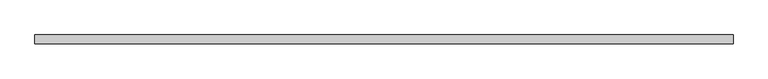
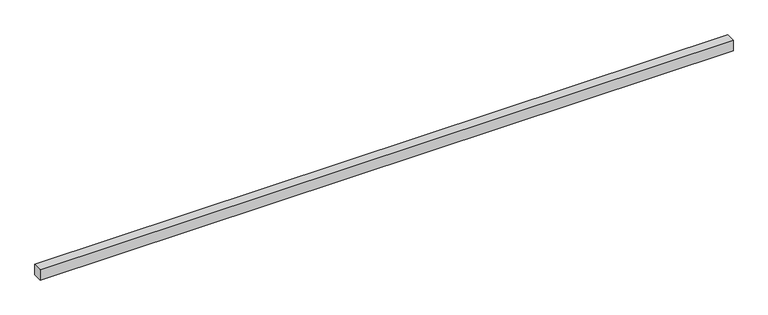
"""IFC4 building model written with IfcOpenShell, lengths in millimetres: proxy geometry."""

from ifc_helpers import new_model, si_unit, origin, origin_with_axes, place, context, project, spatial, polyline, outline, extrude, source, transform, mapped, element, save


def generic_models_f94b88db(model_context):
    return source(origin(), model_context, "Body", "SweptSolid", [
        extrude(outline(polyline([(6221.6233816, -40.0), (0.0, -40.0), (0.0, 40.0), (6221.6233816, 40.0), (6221.6233816, -40.0)])), origin_with_axes(), (0.0, 0.0, 1.0), 100.0),
    ])


if __name__ == "__main__":
    model = new_model("IFC4")
    model_context = context("Model", 3, world=origin())
    ifc_project = project(units=[si_unit("LENGTHUNIT", "METRE", prefix="MILLI")], contexts=[model_context])
    site = spatial("IfcSite", under=ifc_project)
    building = spatial("IfcBuilding", under=site)
    placement = place(None, origin())
    generic_models_shape = generic_models_f94b88db(model_context)
    element("IfcBuildingElementProxy", 1, Name="Generic Models", at=placement, inside=building, context=model_context, shape_type="MappedRepresentation", body=[
        mapped(generic_models_shape, transform((0.0, 0.0, 0.0), x_axis=(1.0, 0.0, 0.0), y_axis=(0.0, 1.0, 0.0), z_axis=(0.0, 0.0, 1.0))),
    ])
    save(model, "model.ifc")
